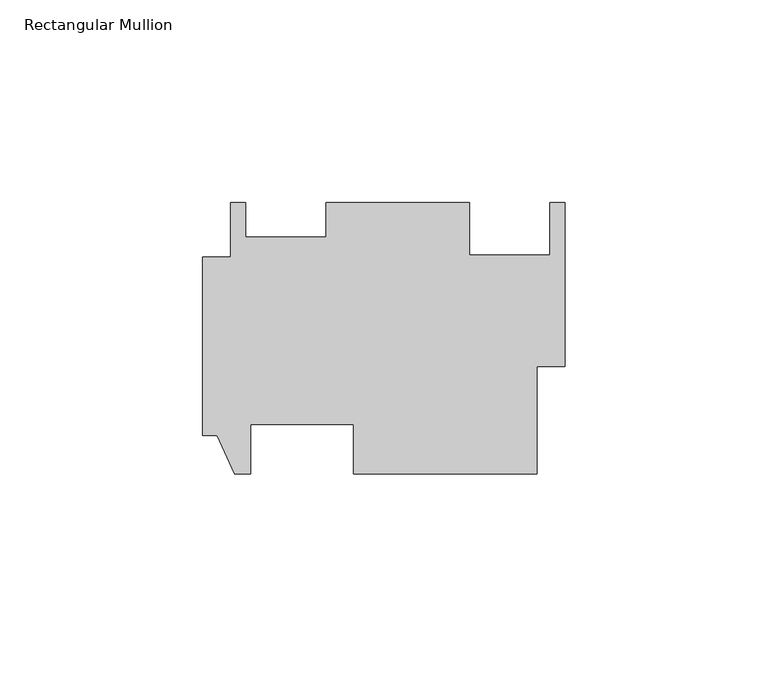
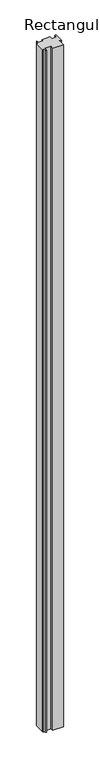
"""IFC4 building model written with IfcOpenShell, lengths in millimetres: member geometry, Rectangular Mullion."""

from ifc_helpers import new_model, si_unit, frame, origin, place, context, project, spatial, polyline, outline, extrude, source, transform, mapped, element, save


def rectangular_mullion_71b8418c(model_context):
    return source(origin(), model_context, "Body", "SweptSolid", [
        extrude(outline(polyline([(-89.4588, -24.4954678), (-89.4588, 19.4719322), (-82.55, 19.4719322), (-82.55, 32.9593322), (-78.8162, 32.9593322), (-78.8162, 24.4799495), (-58.9788, 24.4799495), (-58.9788, 32.9593322), (-23.5712, 32.9593322), (-23.5712, 19.9889062), (-3.7338, 19.9889062), (-3.7338, 32.9593322), (0.0, 32.9593322), (0.0, -7.5282678), (-6.9088, -7.5282678), (-6.9088, -34.0204678), (-52.2224, -34.0204678), (-52.2224, -21.8030678), (-77.6224, -21.8030678), (-77.6224, -34.0204678), (-81.534, -34.0204678), (-85.852, -24.4954678), (-89.4588, -24.4954678)])), frame((0.0, 0.0, -3048.0), z_axis=(0.0, 0.0, 1.0), x_axis=(1.0, 0.0, 0.0)), (0.0, 0.0, 1.0), 3048.0),
    ])


if __name__ == "__main__":
    model = new_model("IFC4")
    model_context = context("Model", 3, world=origin())
    ifc_project = project(units=[si_unit("LENGTHUNIT", "METRE", prefix="MILLI")], contexts=[model_context])
    site = spatial("IfcSite", under=ifc_project)
    building = spatial("IfcBuilding", under=site)
    placement = place(None, origin())
    rectangular_mullion_shape = rectangular_mullion_71b8418c(model_context)
    element("IfcMember", 1, ObjectType="Rectangular Mullion", at=placement, inside=building, context=model_context, shape_type="MappedRepresentation", body=[
        mapped(rectangular_mullion_shape, transform((0.0, 0.0, 0.0), x_axis=(1.0, 0.0, 0.0), y_axis=(0.0, 1.0, 0.0), z_axis=(0.0, 0.0, 1.0))),
    ])
    save(model, "model.ifc")
